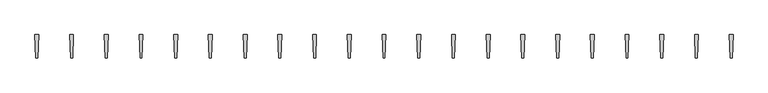
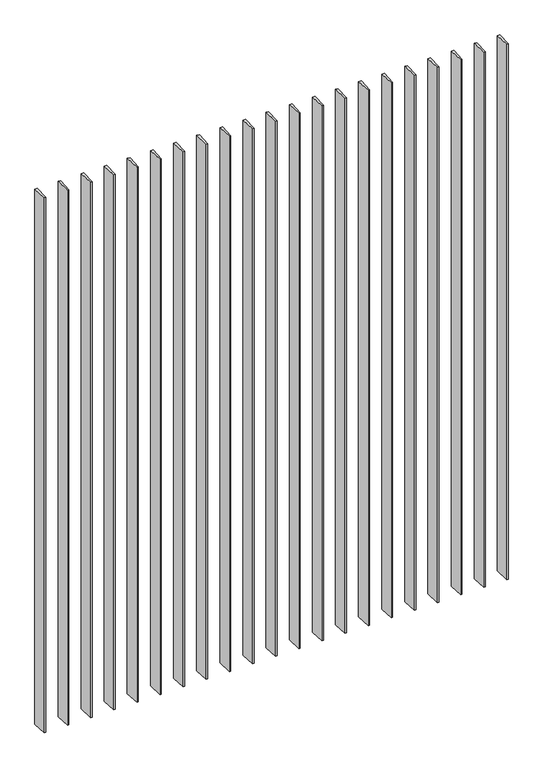
"""IFC4 building model written with IfcOpenShell, lengths in millimetres: proxy geometry."""

from ifc_helpers import new_model, si_unit, origin, origin_with_axes, place, context, project, spatial, polyline, outline, extrude, source, transform, mapped, element, save


def generic_models_c0385aa1(model_context):
    return source(origin(), model_context, "Body", "SweptSolid", [
        extrude(outline(polyline([(17975.0, -600.0), (17950.0, 0.0), (18050.0, 0.0), (18025.0, -600.0), (17975.0, -600.0)])), origin_with_axes(), (0.0, 0.0, 1.0), 22000.0),
        extrude(outline(polyline([(17075.0, -600.0), (17050.0, 0.0), (17150.0, 0.0), (17125.0, -600.0), (17075.0, -600.0)])), origin_with_axes(), (0.0, 0.0, 1.0), 22000.0),
        extrude(outline(polyline([(16175.0, -600.0), (16150.0, 0.0), (16250.0, 0.0), (16225.0, -600.0), (16175.0, -600.0)])), origin_with_axes(), (0.0, 0.0, 1.0), 22000.0),
        extrude(outline(polyline([(15275.0, -600.0), (15250.0, 0.0), (15350.0, 0.0), (15325.0, -600.0), (15275.0, -600.0)])), origin_with_axes(), (0.0, 0.0, 1.0), 22000.0),
        extrude(outline(polyline([(14375.0, -600.0), (14350.0, 0.0), (14450.0, 0.0), (14425.0, -600.0), (14375.0, -600.0)])), origin_with_axes(), (0.0, 0.0, 1.0), 22000.0),
        extrude(outline(polyline([(13475.0, -600.0), (13450.0, 0.0), (13550.0, 0.0), (13525.0, -600.0), (13475.0, -600.0)])), origin_with_axes(), (0.0, 0.0, 1.0), 22000.0),
        extrude(outline(polyline([(12575.0, -600.0), (12550.0, 0.0), (12650.0, 0.0), (12625.0, -600.0), (12575.0, -600.0)])), origin_with_axes(), (0.0, 0.0, 1.0), 22000.0),
        extrude(outline(polyline([(11675.0, -600.0), (11650.0, 0.0), (11750.0, 0.0), (11725.0, -600.0), (11675.0, -600.0)])), origin_with_axes(), (0.0, 0.0, 1.0), 22000.0),
        extrude(outline(polyline([(10775.0, -600.0), (10750.0, 0.0), (10850.0, 0.0), (10825.0, -600.0), (10775.0, -600.0)])), origin_with_axes(), (0.0, 0.0, 1.0), 22000.0),
        extrude(outline(polyline([(9875.0, -600.0), (9850.0, 0.0), (9950.0, 0.0), (9925.0, -600.0), (9875.0, -600.0)])), origin_with_axes(), (0.0, 0.0, 1.0), 22000.0),
        extrude(outline(polyline([(8975.0, -600.0), (8950.0, 0.0), (9050.0, 0.0), (9025.0, -600.0), (8975.0, -600.0)])), origin_with_axes(), (0.0, 0.0, 1.0), 22000.0),
        extrude(outline(polyline([(8075.0, -600.0), (8050.0, 0.0), (8150.0, 0.0), (8125.0, -600.0), (8075.0, -600.0)])), origin_with_axes(), (0.0, 0.0, 1.0), 22000.0),
        extrude(outline(polyline([(7175.0, -600.0), (7150.0, 0.0), (7250.0, 0.0), (7225.0, -600.0), (7175.0, -600.0)])), origin_with_axes(), (0.0, 0.0, 1.0), 22000.0),
        extrude(outline(polyline([(6275.0, -600.0), (6250.0, 0.0), (6350.0, 0.0), (6325.0, -600.0), (6275.0, -600.0)])), origin_with_axes(), (0.0, 0.0, 1.0), 22000.0),
        extrude(outline(polyline([(5375.0, -600.0), (5350.0, 0.0), (5450.0, 0.0), (5425.0, -600.0), (5375.0, -600.0)])), origin_with_axes(), (0.0, 0.0, 1.0), 22000.0),
        extrude(outline(polyline([(4475.0, -600.0), (4450.0, 0.0), (4550.0, 0.0), (4525.0, -600.0), (4475.0, -600.0)])), origin_with_axes(), (0.0, 0.0, 1.0), 22000.0),
        extrude(outline(polyline([(3575.0, -600.0), (3550.0, 0.0), (3650.0, 0.0), (3625.0, -600.0), (3575.0, -600.0)])), origin_with_axes(), (0.0, 0.0, 1.0), 22000.0),
        extrude(outline(polyline([(2675.0, -600.0), (2650.0, 0.0), (2750.0, 0.0), (2725.0, -600.0), (2675.0, -600.0)])), origin_with_axes(), (0.0, 0.0, 1.0), 22000.0),
        extrude(outline(polyline([(1775.0, -600.0), (1750.0, 0.0), (1850.0, 0.0), (1825.0, -600.0), (1775.0, -600.0)])), origin_with_axes(), (0.0, 0.0, 1.0), 22000.0),
        extrude(outline(polyline([(875.0, -600.0), (850.0, 0.0), (950.0, 0.0), (925.0, -600.0), (875.0, -600.0)])), origin_with_axes(), (0.0, 0.0, 1.0), 22000.0),
        extrude(outline(polyline([(-25.0, -600.0), (-50.0, 0.0), (50.0, 0.0), (25.0, -600.0), (-25.0, -600.0)])), origin_with_axes(), (0.0, 0.0, 1.0), 22000.0),
    ])


if __name__ == "__main__":
    model = new_model("IFC4")
    model_context = context("Model", 3, world=origin())
    ifc_project = project(units=[si_unit("LENGTHUNIT", "METRE", prefix="MILLI")], contexts=[model_context])
    site = spatial("IfcSite", under=ifc_project)
    building = spatial("IfcBuilding", under=site)
    placement = place(None, origin())
    generic_models_shape = generic_models_c0385aa1(model_context)
    element("IfcBuildingElementProxy", 1, Name="Generic Models", at=placement, inside=building, context=model_context, shape_type="MappedRepresentation", body=[
        mapped(generic_models_shape, transform((0.0, 0.0, 0.0), x_axis=(1.0, 0.0, 0.0), y_axis=(0.0, 1.0, 0.0), z_axis=(0.0, 0.0, 1.0))),
    ])
    save(model, "model.ifc")
